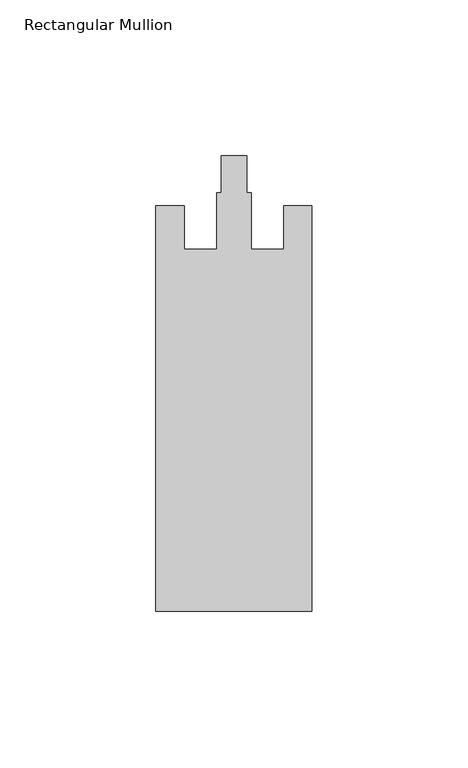
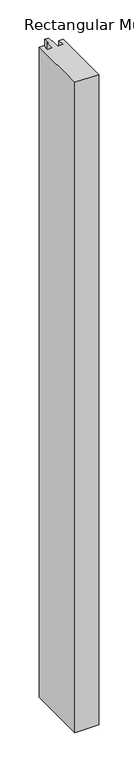
"""IFC4 building model written with IfcOpenShell, lengths in millimetres: member geometry, Rectangular Mullion."""

from ifc_helpers import new_model, si_unit, frame, origin, place, context, project, spatial, polyline, outline, extrude, source, transform, mapped, element, save


def rectangular_mullion_5b47e07f(model_context):
    return source(origin(), model_context, "Body", "SweptSolid", [
        extrude(outline(polyline([(-50.0, -153.0), (-50.0, -23.0), (-41.0, -23.0), (-41.0, -37.0), (-30.5, -37.0), (-30.5, -18.8), (-29.1, -18.8), (-29.1, -7.0), (-20.9, -7.0), (-20.9, -18.8), (-19.5, -18.8), (-19.5, -37.0), (-9.0, -37.0), (-9.0, -23.0), (0.0, -23.0), (0.0, -153.0), (-50.0, -153.0)])), frame((0.0, 0.0, -1450.0), z_axis=(0.0, 0.0, 1.0), x_axis=(1.0, 0.0, 0.0)), (0.0, 0.0, 1.0), 1450.0),
    ])


if __name__ == "__main__":
    model = new_model("IFC4")
    model_context = context("Model", 3, world=origin())
    ifc_project = project(units=[si_unit("LENGTHUNIT", "METRE", prefix="MILLI")], contexts=[model_context])
    site = spatial("IfcSite", under=ifc_project)
    building = spatial("IfcBuilding", under=site)
    placement = place(None, origin())
    rectangular_mullion_shape = rectangular_mullion_5b47e07f(model_context)
    element("IfcMember", 1, ObjectType="Rectangular Mullion", at=placement, inside=building, context=model_context, shape_type="MappedRepresentation", body=[
        mapped(rectangular_mullion_shape, transform((0.0, 0.0, 0.0), x_axis=(1.0, 0.0, 0.0), y_axis=(0.0, 1.0, 0.0), z_axis=(0.0, 0.0, 1.0))),
    ])
    save(model, "model.ifc")
